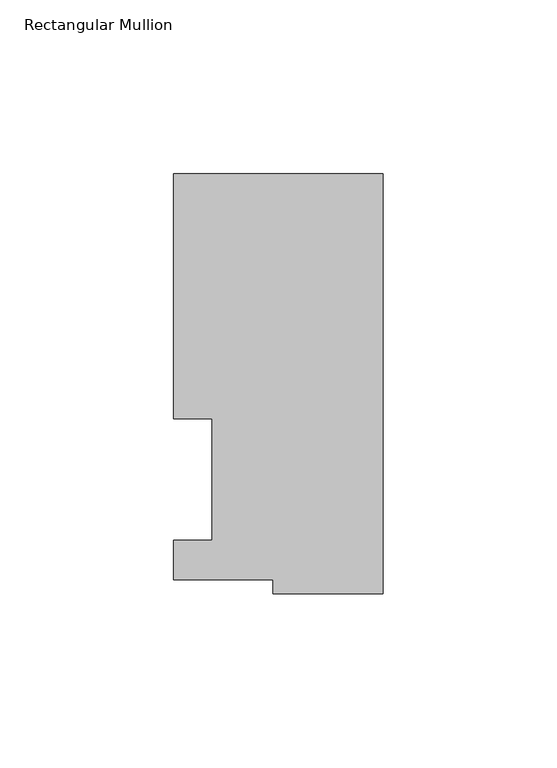
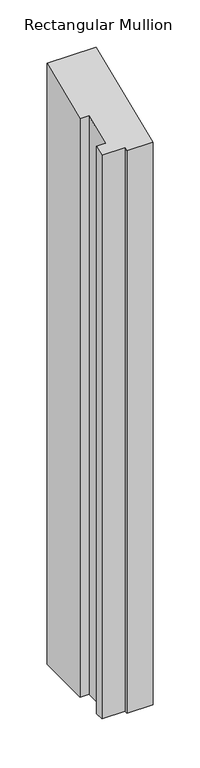
"""IFC4 building model written with IfcOpenShell, lengths in millimetres: member geometry, Rectangular Mullion."""

from ifc_helpers import new_model, si_unit, origin, place, context, project, spatial, faceted_brep, source, transform, mapped, element, save


def rectangular_mullion_5a5e7b27(model_context):
    return source(origin(), model_context, "Body", "Brep", [
        faceted_brep([(-60.325, 117.4859878, -729.5678136), (0.0, 117.4859878, -729.5678136), (0.0, -3.3164122, -729.5678136), (-31.75, -3.3164122, -729.5678136), (-31.75, 0.7221701, -729.5678136), (-60.325, 0.7221701, -729.5678136), (-60.325, 12.1267878, -729.5678136), (-49.2252, 12.1267878, -729.5678136), (-49.2252, 47.0517878, -729.5678136), (-60.325, 47.0517878, -729.5678136), (-60.325, 47.0517878, 19.4894886), (-60.325, 117.4859878, 48.6642895), (-49.2252, 47.0517878, 19.4894886), (-49.2252, 12.1267878, 5.02308), (-60.325, 12.1267878, 5.02308), (-60.325, 0.7221701, 0.2991326), (-31.75, 0.7221701, 0.2991326), (-31.75, -3.3164122, -1.3737029), (0.0, -3.3164122, -1.3737029), (0.0, 117.4859878, 48.6642895)], [[[0, 1, 2, 3, 4, 5, 6, 7, 8, 9]], [[10, 11, 0, 9]], [[12, 10, 9, 8]], [[13, 12, 8, 7]], [[14, 13, 7, 6]], [[15, 14, 6, 5]], [[16, 15, 5, 4]], [[17, 16, 4, 3]], [[18, 17, 3, 2]], [[19, 18, 2, 1]], [[11, 19, 1, 0]], [[11, 10, 12, 13, 14, 15, 16, 17, 18, 19]]]),
    ])


if __name__ == "__main__":
    model = new_model("IFC4")
    model_context = context("Model", 3, world=origin())
    ifc_project = project(units=[si_unit("LENGTHUNIT", "METRE", prefix="MILLI")], contexts=[model_context])
    site = spatial("IfcSite", under=ifc_project)
    building = spatial("IfcBuilding", under=site)
    placement = place(None, origin())
    rectangular_mullion_shape = rectangular_mullion_5a5e7b27(model_context)
    element("IfcMember", 1, ObjectType="Rectangular Mullion", at=placement, inside=building, context=model_context, shape_type="MappedRepresentation", body=[
        mapped(rectangular_mullion_shape, transform((0.0, 0.0, 0.0), x_axis=(1.0, 0.0, 0.0), y_axis=(0.0, 1.0, 0.0), z_axis=(0.0, 0.0, 1.0))),
    ])
    save(model, "model.ifc")
